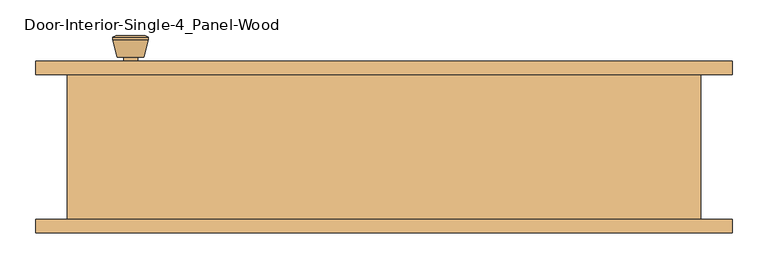
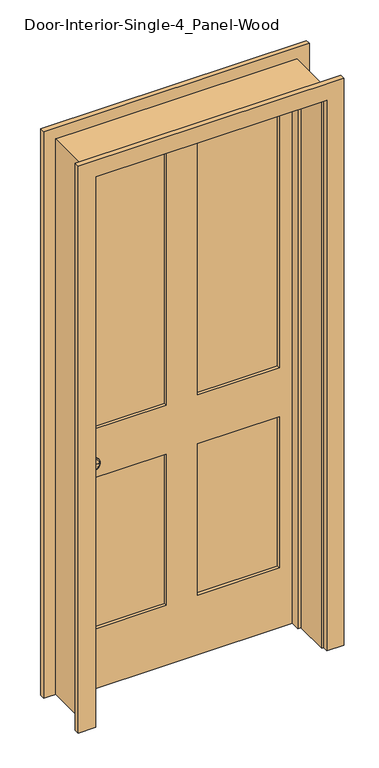
"""IFC4 building model written with IfcOpenShell, lengths in millimetres: door geometry, Door-Interior-Single-4_Panel-Wood."""

import ifcopenshell
import ifcopenshell.guid

model = None  # the IFC model being written
_history = None  # IfcOwnerHistory: only IFC2X3 demands one
_inside = {}  # id of a spatial element -> (the spatial element, [elements in it])
_under = {}  # id of a project, library or spatial element -> (it, [spatial elements below it])
_declared = {}  # id of a project -> (the project, [libraries it declares])
_typed = {}  # id of a type object -> (the type object, [elements of that type])
_made_of = {}  # id of a material, layer set ... -> (it, [elements and type objects made of it])


def new_model(schema):
    """Start an empty IFC model of exactly this schema.

    Asked for "IFC4X3", IfcOpenShell would pick the latest addendum, in which some entities
    have other attributes; the version numbers below select the first issue.
    IFC2X3 requires an IfcOwnerHistory on every rooted entity: one is made here for all.
    """
    global model, _history
    if schema == "IFC4X3":
        model = ifcopenshell.file(schema_version=(4, 3, 0, 0))
    else:
        model = ifcopenshell.file(schema=schema)
    _inside.clear()
    _under.clear()
    _declared.clear()
    _typed.clear()
    _made_of.clear()
    _history = None
    if model.schema == "IFC2X3":
        org = make("IfcOrganization", Name="unknown")
        user = make(
            "IfcPersonAndOrganization",
            ThePerson=make("IfcPerson", FamilyName="unknown"),
            TheOrganization=org,
        )
        app = make(
            "IfcApplication",
            ApplicationDeveloper=org,
            Version="unknown",
            ApplicationFullName="unknown",
            ApplicationIdentifier="unknown",
        )
        _history = make(
            "IfcOwnerHistory",
            OwningUser=user,
            OwningApplication=app,
            ChangeAction="ADDED",
            CreationDate=0,
        )
    return model


def make(cls, **values):
    """One entity of the class cls with the attributes given. An attribute that is None is left unset."""
    return model.create_entity(
        cls, **{name: value for name, value in values.items() if value is not None}
    )


def rooted(cls, **values):
    """An entity with a GlobalId (a new one), such as an element, a storey or a relation."""
    return make(cls, GlobalId=ifcopenshell.guid.new(), OwnerHistory=_history, **values)


def si_unit(unit_type, name, prefix=None):
    """IfcSIUnit, for example si_unit("LENGTHUNIT", "METRE", prefix="MILLI")."""
    return make("IfcSIUnit", UnitType=unit_type, Prefix=prefix, Name=name)


def assignment(units):
    """IfcUnitAssignment: the units of a project."""
    return None if units is None else make("IfcUnitAssignment", Units=units)


def point(xyz):
    """IfcCartesianPoint."""
    return None if xyz is None else make("IfcCartesianPoint", Coordinates=xyz)


def direction(xyz):
    """IfcDirection."""
    return None if xyz is None else make("IfcDirection", DirectionRatios=xyz)


def frame(location, z_axis=None, x_axis=None):
    """IfcAxis2Placement3D, a coordinate frame: its origin and axes. An axis left out is left unset."""
    return make(
        "IfcAxis2Placement3D",
        Location=point(location),
        Axis=direction(z_axis),
        RefDirection=direction(x_axis),
    )


def frame_2d(location, x_axis=None):
    """IfcAxis2Placement2D, a coordinate frame in the plane: its origin and x axis."""
    return make(
        "IfcAxis2Placement2D", Location=point(location), RefDirection=direction(x_axis)
    )


def origin():
    """The frame at (0, 0, 0) with its axes left unset."""
    return frame((0.0, 0.0, 0.0))


def place(relative_to, where):
    """IfcLocalPlacement: puts the frame where relative to a parent placement (None: the world)."""
    return make(
        "IfcLocalPlacement", PlacementRelTo=relative_to, RelativePlacement=where
    )


def context(
    kind, dimensions, precision=None, world=None, true_north=None, identifier=None
):
    """IfcGeometricRepresentationContext, for example the 3D "Model" context."""
    return make(
        "IfcGeometricRepresentationContext",
        ContextIdentifier=identifier,
        ContextType=kind,
        CoordinateSpaceDimension=dimensions,
        Precision=precision,
        WorldCoordinateSystem=world,
        TrueNorth=true_north,
    )


def project(units=None, contexts=None):
    """IfcProject with its units and contexts."""
    return rooted(
        "IfcProject",
        Name="project",
        RepresentationContexts=contexts,
        UnitsInContext=assignment(units),
    )


def spatial(cls, under=None, at=None, **own):
    """A site, building, storey or space (cls), placed at a placement, below another one or the project."""
    s = rooted(cls, ObjectPlacement=at, **own)
    if under is not None:
        _under.setdefault(under.id(), (under, []))[1].append(s)
    return s


def polyline(points):
    """IfcPolyline through the points."""
    return make("IfcPolyline", Points=[point(p) for p in points])


def circle_curve(where, radius):
    """IfcCircle in the frame where."""
    return make("IfcCircle", Position=where, Radius=radius)


def trimmed(basis, trim1, trim2, sense, master):
    """IfcTrimmedCurve: the piece of a basis curve between two trims."""
    return make(
        "IfcTrimmedCurve",
        BasisCurve=basis,
        Trim1=trim1,
        Trim2=trim2,
        SenseAgreement=sense,
        MasterRepresentation=master,
    )


def segment(curve, same_sense, transition):
    """IfcCompositeCurveSegment."""
    return make(
        "IfcCompositeCurveSegment",
        Transition=transition,
        SameSense=same_sense,
        ParentCurve=curve,
    )


def composite_curve(segments, self_intersect=None):
    """IfcCompositeCurve: segments joined end to end."""
    return make("IfcCompositeCurve", Segments=segments, SelfIntersect=self_intersect)


def outline(outer, holes=None, kind="AREA"):
    """IfcArbitraryClosedProfileDef: a profile drawn as a closed curve; with holes, ...WithVoids."""
    if holes is None:
        return make("IfcArbitraryClosedProfileDef", ProfileType=kind, OuterCurve=outer)
    return make(
        "IfcArbitraryProfileDefWithVoids",
        ProfileType=kind,
        OuterCurve=outer,
        InnerCurves=holes,
    )


def extrude(swept, where, along, depth):
    """IfcExtrudedAreaSolid: the profile swept, set in the frame where, extruded along a direction by depth."""
    return make(
        "IfcExtrudedAreaSolid",
        SweptArea=swept,
        Position=where,
        ExtrudedDirection=direction(along),
        Depth=depth,
    )


def faces_of(points, faces, orient=None, outer=None):
    """IfcFace entities. A face is a list of loops; a loop is a list of indices into points, from 0.

    orient and outer hold one flag for each loop. By default every Orientation is true, the
    first loop of a face is its IfcFaceOuterBound and the others are IfcFaceBound.
    """
    made = []
    for i, loops in enumerate(faces):
        bounds = []
        for j, loop in enumerate(loops):
            is_outer = j == 0 if outer is None else outer[i][j]
            bounds.append(
                make(
                    "IfcFaceOuterBound" if is_outer else "IfcFaceBound",
                    Bound=make("IfcPolyLoop", Polygon=[points[k] for k in loop]),
                    Orientation=True if orient is None else orient[i][j],
                )
            )
        made.append(make("IfcFace", Bounds=bounds))
    return made


def faceted_brep(points, faces, orient=None, outer=None, voids=None):
    """IfcFacetedBrep: a solid bounded by flat faces; with voids (closed shells), ...WithVoids."""
    shared = [point(p) for p in points]
    hull = make("IfcClosedShell", CfsFaces=faces_of(shared, faces, orient, outer))
    if voids is None:
        return make("IfcFacetedBrep", Outer=hull)
    return make(
        "IfcFacetedBrepWithVoids",
        Outer=hull,
        Voids=[
            make(cls, CfsFaces=faces_of(shared, fs, o, b)) for cls, fs, o, b in voids
        ],
    )


def shape(context_of_items, identifier, shape_type, items):
    """IfcShapeRepresentation: the items that make up one representation, for example the "Body"."""
    return make(
        "IfcShapeRepresentation",
        ContextOfItems=context_of_items,
        RepresentationIdentifier=identifier,
        RepresentationType=shape_type,
        Items=items,
    )


def source(mapping_origin, context_of_items, identifier, shape_type, items):
    """IfcRepresentationMap: a shape defined once, which mapped items show again and again."""
    return make(
        "IfcRepresentationMap",
        MappingOrigin=mapping_origin,
        MappedRepresentation=shape(context_of_items, identifier, shape_type, items),
    )


def transform(
    local_origin,
    x_axis=None,
    y_axis=None,
    z_axis=None,
    scale=None,
    scale2=None,
    scale3=None,
    uniform=True,
):
    """IfcCartesianTransformationOperator3D, or its non-uniform kind. x_axis, y_axis, z_axis: its Axis1, 2, 3."""
    if uniform:
        return make(
            "IfcCartesianTransformationOperator3D",
            Axis1=direction(x_axis),
            Axis2=direction(y_axis),
            LocalOrigin=point(local_origin),
            Scale=scale,
            Axis3=direction(z_axis),
        )
    return make(
        "IfcCartesianTransformationOperator3DnonUniform",
        Axis1=direction(x_axis),
        Axis2=direction(y_axis),
        LocalOrigin=point(local_origin),
        Scale=scale,
        Axis3=direction(z_axis),
        Scale2=scale2,
        Scale3=scale3,
    )


def mapped(mapping_source, mapping_target):
    """IfcMappedItem: shows the shape of a source again, moved by a transform."""
    return make(
        "IfcMappedItem", MappingSource=mapping_source, MappingTarget=mapping_target
    )


def made_of(thing, what):
    """Note that an element or type object is made of a material, layer set ...; save() writes the relation."""
    if what is not None:
        _made_of.setdefault(what.id(), (what, []))[1].append(thing)
    return thing


def element(
    cls,
    number,
    at=None,
    inside=None,
    cuts=None,
    type_object=None,
    material=None,
    context=None,
    identifier="Body",
    shape_type=None,
    held_by="IfcProductDefinitionShape",
    body=None,
    shapes=None,
    **own,
):
    """One element of the class cls, such as IfcWall. Its Tag is "e" and its number.

    at: its placement. inside: the storey or other place that contains it. cuts: it is an
    opening in that element (IfcRelVoidsElement). A single representation is given by context,
    identifier, shape_type and body (its items); several are given by shapes. held_by: the class
    of the entity that holds the representations. save() writes the other relations.
    """
    e = rooted(cls, Tag="e%d" % number, ObjectPlacement=at, **own)
    if body is not None:
        shapes = [shape(context, identifier, shape_type, body)]
    if shapes is not None:
        e.Representation = make(held_by, Representations=shapes)
    if inside is not None:
        _inside.setdefault(inside.id(), (inside, []))[1].append(e)
    if cuts is not None:
        rooted(
            "IfcRelVoidsElement", RelatingBuildingElement=cuts, RelatedOpeningElement=e
        )
    if type_object is not None:
        _typed.setdefault(type_object.id(), (type_object, []))[1].append(e)
    return made_of(e, material)


def aggregate(whole, parts):
    """IfcRelAggregates: a whole, such as a stair, and the parts it consists of."""
    return rooted("IfcRelAggregates", RelatingObject=whole, RelatedObjects=parts)


def save(model, path):
    """Write the relations noted so far, then the file.

    IfcRelAggregates (storeys below a building ...), IfcRelContainedInSpatialStructure (elements
    in a storey), IfcRelDefinesByType, IfcRelAssociatesMaterial and IfcRelDeclares: one each for
    every whole, place, type object, material and project.
    """
    for whole, parts in _under.values():
        aggregate(whole, parts)
    for where, things in _inside.values():
        rooted(
            "IfcRelContainedInSpatialStructure",
            RelatedElements=things,
            RelatingStructure=where,
        )
    for kind, things in _typed.values():
        rooted("IfcRelDefinesByType", RelatedObjects=things, RelatingType=kind)
    for what, things in _made_of.values():
        rooted("IfcRelAssociatesMaterial", RelatedObjects=things, RelatingMaterial=what)
    for by, libraries in _declared.values():
        rooted("IfcRelDeclares", RelatingContext=by, RelatedDefinitions=libraries)
    model.write(path)


def plane_surface(at):
    """IfcPlane: the flat surface through the origin of the frame at, square to its z axis."""
    return make("IfcPlane", Position=at)


def cylinder_surface(at, radius):
    """IfcCylindricalSurface: all points at the distance radius from the z axis of the frame at."""
    return make("IfcCylindricalSurface", Position=at, Radius=radius)


def revolved_surface(curve, axis_point, axis_direction):
    """IfcSurfaceOfRevolution: the curve turned about the line through axis_point along axis_direction."""
    return make(
        "IfcSurfaceOfRevolution",
        SweptCurve=make("IfcArbitraryOpenProfileDef", ProfileType="CURVE", Curve=curve),
        AxisPosition=make("IfcAxis1Placement", Location=point(axis_point), Axis=direction(axis_direction)),
    )


def advanced_brep(points, edges, surfaces, faces):
    """IfcAdvancedBrep: a solid bounded by faces that lie on surfaces and meet in shared edges.

    An edge is (start, end): straight between two places in points (the first is 0);
    or (start, end, curve); or (start, end, curve, False) where it runs against its curve.
    A face is (place in surfaces, loops), or (place, loops, False) where it looks against
    its surface's normal. A loop lists edges by number (the first is 1), with a minus sign
    where the edge is run from its end to its start. The first loop is the outer one.
    """
    corners = [point(p) for p in points]
    vertices = [make("IfcVertexPoint", VertexGeometry=c) for c in corners]
    made = []
    for start, end, *more in edges:
        made.append(
            make(
                "IfcEdgeCurve",
                EdgeStart=vertices[start],
                EdgeEnd=vertices[end],
                EdgeGeometry=more[0] if more else make("IfcPolyline", Points=[corners[start], corners[end]]),
                SameSense=more[1] if len(more) > 1 else True,
            )
        )
    hull = []
    for where, loops, *sense in faces:
        bounds = []
        for j, loop in enumerate(loops):
            ring = [make("IfcOrientedEdge", EdgeElement=made[abs(k) - 1], Orientation=k > 0) for k in loop]
            bounds.append(
                make(
                    "IfcFaceOuterBound" if j == 0 else "IfcFaceBound",
                    Bound=make("IfcEdgeLoop", EdgeList=ring),
                    Orientation=True,
                )
            )
        hull.append(make("IfcAdvancedFace", Bounds=bounds, FaceSurface=surfaces[where], SameSense=sense[0] if sense else True))
    return make("IfcAdvancedBrep", Outer=make("IfcClosedShell", CfsFaces=hull))


def door_interior_single_4_panel_wood_c5cf4f9c(model_context):
    return source(origin(), model_context, "Body", "SolidModel", [
        advanced_brep(
        [(-355.6, 57.5, 914.4), (-345.6, 57.5, 914.4), (-365.6, 57.5, 914.4), (-335.1241324, 8.5, 914.4), (-355.6, 8.5, 914.4), (-376.0758676, 8.5, 914.4), (-330.6, 10.3278681, 914.4), (-380.6, 10.3278681, 914.4), (-330.6, 13.7915463, 914.4), (-380.6, 13.7915463, 914.4), (-336.963764, 38.5, 914.4), (-374.236236, 38.5, 914.4), (-345.6, 38.5, 914.4), (-365.6, 38.5, 914.4)],
        [
            (0, 1),
            (1, 2, circle_curve(frame((-355.6, 57.5, 914.4), z_axis=(0.0, 1.0, 0.0), x_axis=(-1.0, 0.0, 0.0)), 10.0)),
            (2, 0),
            (2, 1, circle_curve(frame((-355.6, 57.5, 914.4), z_axis=(0.0, 1.0, 0.0), x_axis=(-1.0, 0.0, 0.0)), 10.0)),
            (3, 4),
            (4, 5),
            (5, 3, circle_curve(frame((-355.6, 8.5, 914.4), z_axis=(0.0, -1.0, 0.0), x_axis=(-1.0, 0.0, 0.0)), 20.4758676)),
            (3, 5, circle_curve(frame((-355.6, 8.5, 914.4), z_axis=(0.0, -1.0, 0.0), x_axis=(-1.0, 0.0, 0.0)), 20.4758676)),
            (6, 3),
            (5, 7),
            (7, 6, circle_curve(frame((-355.6, 10.3278681, 914.4), z_axis=(0.0, -1.0, 0.0), x_axis=(-1.0, 0.0, 0.0)), 25.0)),
            (6, 7, circle_curve(frame((-355.6, 10.3278681, 914.4), z_axis=(0.0, -1.0, 0.0), x_axis=(-1.0, 0.0, 0.0)), 25.0)),
            (8, 6),
            (7, 9),
            (9, 8, circle_curve(frame((-355.6, 13.7915463, 914.4), z_axis=(0.0, -1.0, 0.0), x_axis=(-1.0, 0.0, 0.0)), 25.0)),
            (8, 9, circle_curve(frame((-355.6, 13.7915463, 914.4), z_axis=(0.0, -1.0, 0.0), x_axis=(-1.0, 0.0, 0.0)), 25.0)),
            (10, 8),
            (9, 11),
            (11, 10, circle_curve(frame((-355.6, 38.5, 914.4), z_axis=(0.0, -1.0, 0.0), x_axis=(-1.0, 0.0, 0.0)), 18.636236)),
            (10, 11, circle_curve(frame((-355.6, 38.5, 914.4), z_axis=(0.0, -1.0, 0.0), x_axis=(-1.0, 0.0, 0.0)), 18.636236)),
            (12, 10),
            (11, 13),
            (13, 12, circle_curve(frame((-355.6, 38.5, 914.4), z_axis=(0.0, -1.0, 0.0), x_axis=(-1.0, 0.0, 0.0)), 10.0)),
            (12, 13, circle_curve(frame((-355.6, 38.5, 914.4), z_axis=(0.0, -1.0, 0.0), x_axis=(-1.0, 0.0, 0.0)), 10.0)),
            (1, 12),
            (13, 2),
        ],
        [
            plane_surface(frame((-355.6, 57.5, 914.4), z_axis=(0.0, 1.0, 0.0), x_axis=(-1.0, 0.0, 0.0))),
            plane_surface(frame((-355.6, 8.5, 914.4), z_axis=(0.0, -1.0, 0.0), x_axis=(-1.0, 0.0, 0.0))),
            revolved_surface(polyline([(-376.0758676, 8.5, 914.4), (-380.6, 10.3278681, 914.4)]), (-355.6, 57.5, 914.4), (0.0, 1.0, 0.0)),
            cylinder_surface(frame((-355.6, 57.5, 914.4), z_axis=(0.0, 1.0, 0.0), x_axis=(-1.0, 0.0, 0.0)), 25.0),
            revolved_surface(polyline([(-380.6, 13.7915463, 914.4), (-374.236236, 38.5, 914.4)]), (-355.6, 57.5, 914.4), (0.0, 1.0, 0.0)),
            plane_surface(frame((-355.6, 38.5, 914.4), z_axis=(0.0, 1.0, 0.0), x_axis=(-1.0, 0.0, 0.0))),
            cylinder_surface(frame((-355.6, 57.5, 914.4), z_axis=(0.0, 1.0, 0.0), x_axis=(-1.0, 0.0, 0.0)), 10.0),
        ],
        [
            (0, [[1, 2, 3]]),
            (0, [[-3, 4, -1]]),
            (1, [[5, 6, 7]]),
            (1, [[-6, -5, 8]]),
            (2, [[9, -7, 10, 11]]),
            (2, [[-10, -8, -9, 12]]),
            (3, [[13, -11, 14, 15]]),
            (3, [[-14, -12, -13, 16]]),
            (4, [[17, -15, 18, 19]]),
            (4, [[-18, -16, -17, 20]]),
            (5, [[21, -19, 22, 23]]),
            (5, [[-22, -20, -21, 24]]),
            (6, [[25, -23, 26, -2]]),
            (6, [[-26, -24, -25, -4]]),
        ],
    ),
        extrude(outline(composite_curve([segment(trimmed(circle_curve(frame_2d((914.4, -355.6)), 30.0), [point((914.4, -385.6))], [point((914.4, -325.6))], False, "CARTESIAN"), True, "CONTINUOUS"), segment(trimmed(circle_curve(frame_2d((914.4, -355.6)), 30.0), [point((914.4, -325.6))], [point((914.4, -385.6))], False, "CARTESIAN"), True, "CONTINUOUS")], self_intersect=False)), frame((0.0, 57.5, 0.0), z_axis=(0.0, 1.0, 0.0), x_axis=(0.0, 0.0, 1.0)), (0.0, 0.0, 1.0), 6.0),
        advanced_brep(
        [(-355.6, 104.425, 914.4), (-365.6, 104.425, 914.4), (-345.6, 104.425, 914.4), (-335.1241324, 153.425, 914.4), (-376.0758676, 153.425, 914.4), (-355.6, 153.425, 914.4), (-330.6, 151.5971319, 914.4), (-380.6, 151.5971319, 914.4), (-330.6, 148.1334537, 914.4), (-380.6, 148.1334537, 914.4), (-336.963764, 123.425, 914.4), (-374.236236, 123.425, 914.4), (-345.6, 123.425, 914.4), (-365.6, 123.425, 914.4)],
        [
            (0, 1),
            (1, 2, circle_curve(frame((-355.6, 104.425, 914.4), z_axis=(0.0, -1.0, 0.0), x_axis=(-1.0, 0.0, 0.0)), 10.0)),
            (2, 0),
            (2, 1, circle_curve(frame((-355.6, 104.425, 914.4), z_axis=(0.0, -1.0, 0.0), x_axis=(-1.0, 0.0, 0.0)), 10.0)),
            (3, 4, circle_curve(frame((-355.6, 153.425, 914.4), z_axis=(0.0, 1.0, 0.0), x_axis=(-1.0, 0.0, 0.0)), 20.4758676)),
            (4, 5),
            (5, 3),
            (4, 3, circle_curve(frame((-355.6, 153.425, 914.4), z_axis=(0.0, 1.0, 0.0), x_axis=(-1.0, 0.0, 0.0)), 20.4758676)),
            (6, 7, circle_curve(frame((-355.6, 151.5971319, 914.4), z_axis=(0.0, 1.0, 0.0), x_axis=(-1.0, 0.0, 0.0)), 25.0)),
            (7, 4),
            (3, 6),
            (7, 6, circle_curve(frame((-355.6, 151.5971319, 914.4), z_axis=(0.0, 1.0, 0.0), x_axis=(-1.0, 0.0, 0.0)), 25.0)),
            (8, 9, circle_curve(frame((-355.6, 148.1334537, 914.4), z_axis=(0.0, 1.0, 0.0), x_axis=(-1.0, 0.0, 0.0)), 25.0)),
            (9, 7),
            (6, 8),
            (9, 8, circle_curve(frame((-355.6, 148.1334537, 914.4), z_axis=(0.0, 1.0, 0.0), x_axis=(-1.0, 0.0, 0.0)), 25.0)),
            (10, 11, circle_curve(frame((-355.6, 123.425, 914.4), z_axis=(0.0, 1.0, 0.0), x_axis=(-1.0, 0.0, 0.0)), 18.636236)),
            (11, 9),
            (8, 10),
            (11, 10, circle_curve(frame((-355.6, 123.425, 914.4), z_axis=(0.0, 1.0, 0.0), x_axis=(-1.0, 0.0, 0.0)), 18.636236)),
            (12, 13, circle_curve(frame((-355.6, 123.425, 914.4), z_axis=(0.0, 1.0, 0.0), x_axis=(-1.0, 0.0, 0.0)), 10.0)),
            (13, 11),
            (10, 12),
            (13, 12, circle_curve(frame((-355.6, 123.425, 914.4), z_axis=(0.0, 1.0, 0.0), x_axis=(-1.0, 0.0, 0.0)), 10.0)),
            (1, 13),
            (12, 2),
        ],
        [
            plane_surface(frame((-355.6, 104.425, 914.4), z_axis=(0.0, -1.0, 0.0), x_axis=(-1.0, 0.0, 0.0))),
            plane_surface(frame((-355.6, 153.425, 914.4), z_axis=(0.0, 1.0, 0.0), x_axis=(-1.0, 0.0, 0.0))),
            revolved_surface(polyline([(-376.0758676, 153.425, 914.4), (-380.6, 151.5971319, 914.4)]), (-355.6, 104.425, 914.4), (0.0, -1.0, 0.0)),
            cylinder_surface(frame((-355.6, 104.425, 914.4), z_axis=(0.0, -1.0, 0.0), x_axis=(-1.0, 0.0, 0.0)), 25.0),
            revolved_surface(polyline([(-380.6, 148.1334537, 914.4), (-374.236236, 123.425, 914.4)]), (-355.6, 104.425, 914.4), (0.0, -1.0, 0.0)),
            plane_surface(frame((-355.6, 123.425, 914.4), z_axis=(0.0, -1.0, 0.0), x_axis=(-1.0, 0.0, 0.0))),
            cylinder_surface(frame((-355.6, 104.425, 914.4), z_axis=(0.0, -1.0, 0.0), x_axis=(-1.0, 0.0, 0.0)), 10.0),
        ],
        [
            (0, [[1, 2, 3]]),
            (0, [[-3, 4, -1]]),
            (1, [[5, 6, 7]]),
            (1, [[8, -7, -6]]),
            (2, [[9, 10, -5, 11]]),
            (2, [[12, -11, -8, -10]]),
            (3, [[13, 14, -9, 15]]),
            (3, [[16, -15, -12, -14]]),
            (4, [[17, 18, -13, 19]]),
            (4, [[20, -19, -16, -18]]),
            (5, [[21, 22, -17, 23]]),
            (5, [[24, -23, -20, -22]]),
            (6, [[-2, 25, -21, 26]]),
            (6, [[-4, -26, -24, -25]]),
        ],
    ),
        extrude(outline(composite_curve([segment(trimmed(circle_curve(frame_2d((914.4, -355.6)), 30.0), [point((914.4, -385.6))], [point((914.4, -325.6))], False, "CARTESIAN"), True, "CONTINUOUS"), segment(trimmed(circle_curve(frame_2d((914.4, -355.6)), 30.0), [point((914.4, -325.6))], [point((914.4, -385.6))], False, "CARTESIAN"), True, "CONTINUOUS")], self_intersect=False)), frame((0.0, 98.425, 0.0), z_axis=(0.0, 1.0, 0.0), x_axis=(0.0, 0.0, 1.0)), (0.0, 0.0, 1.0), 6.0),
        faceted_brep([(444.5, 98.425, 0.0), (444.5, -104.775, 0.0), (419.1, -104.775, 0.0), (419.1, 28.575, 0.0), (406.4, 28.575, 0.0), (406.4, 63.5, 0.0), (419.1, 63.5, 0.0), (419.1, 98.425, 0.0), (444.5, 98.425, 2159.0), (444.5, -104.775, 2159.0), (-444.5, -104.775, 2159.0), (-444.5, -104.775, 0.0), (-419.1, -104.775, 0.0), (-419.1, -104.775, 2133.6), (419.1, -104.775, 2133.6), (419.1, 28.575, 2133.6), (-419.1, 28.575, 2133.6), (-419.1, 28.575, 0.0), (-406.4, 28.575, 0.0), (-406.4, 28.575, 2120.9), (406.4, 28.575, 2120.9), (406.4, 63.5, 2120.9), (-406.4, 63.5, 2120.9), (-406.4, 63.5, 0.0), (-419.1, 63.5, 0.0), (-419.1, 63.5, 2133.6), (419.1, 63.5, 2133.6), (419.1, 98.425, 2133.6), (-419.1, 98.425, 2133.6), (-419.1, 98.425, 0.0), (-444.5, 98.425, 0.0), (-444.5, 98.425, 2159.0)], [[[0, 1, 2, 3, 4, 5, 6, 7]], [[1, 0, 8, 9]], [[2, 1, 9, 10, 11, 12, 13, 14]], [[3, 2, 14, 15]], [[4, 3, 15, 16, 17, 18, 19, 20]], [[5, 4, 20, 21]], [[6, 5, 21, 22, 23, 24, 25, 26]], [[7, 6, 26, 27]], [[0, 7, 27, 28, 29, 30, 31, 8]], [[9, 8, 31, 10]], [[15, 14, 13, 16]], [[21, 20, 19, 22]], [[27, 26, 25, 28]], [[30, 29, 24, 23, 18, 17, 12, 11]], [[10, 31, 30, 11]], [[16, 13, 12, 17]], [[22, 19, 18, 23]], [[28, 25, 24, 29]]]),
        extrude(outline(polyline([(2133.6, -419.1), (0.0, -419.1), (0.0, 419.1), (2133.6, 419.1), (2133.6, -419.1)]), holes=[polyline([(2014.5375, 57.15), (2014.5375, 358.775), (1009.65, 358.775), (1009.65, 57.15), (2014.5375, 57.15)]), polyline([(1009.65, -57.15), (1009.65, -358.775), (2014.5375, -358.775), (2014.5375, -57.15), (1009.65, -57.15)]), polyline([(819.15, 57.15), (819.15, 358.775), (231.775, 358.775), (231.775, 57.15), (819.15, 57.15)]), polyline([(231.775, -57.15), (231.775, -358.775), (819.15, -358.775), (819.15, -57.15), (231.775, -57.15)])]), frame((0.0, 63.5, 0.0), z_axis=(0.0, 1.0, 0.0), x_axis=(0.0, 0.0, 1.0)), (0.0, 0.0, 1.0), 34.925),
        extrude(outline(polyline([(358.775, 75.1416667), (57.15, 75.1416667), (57.15, 86.7833333), (358.775, 86.7833333), (358.775, 75.1416667)])), frame((0.0, 0.0, 1009.65), z_axis=(0.0, 0.0, 1.0), x_axis=(1.0, 0.0, 0.0)), (0.0, 0.0, 1.0), 1004.8875),
        extrude(outline(polyline([(-57.15, 75.1416667), (-358.775, 75.1416667), (-358.775, 86.7833333), (-57.15, 86.7833333), (-57.15, 75.1416667)])), frame((0.0, 0.0, 1009.65), z_axis=(0.0, 0.0, 1.0), x_axis=(1.0, 0.0, 0.0)), (0.0, 0.0, 1.0), 1004.8875),
        extrude(outline(polyline([(358.775, 75.1416667), (57.15, 75.1416667), (57.15, 86.7833333), (358.775, 86.7833333), (358.775, 75.1416667)])), frame((0.0, 0.0, 231.775), z_axis=(0.0, 0.0, 1.0), x_axis=(1.0, 0.0, 0.0)), (0.0, 0.0, 1.0), 587.375),
        extrude(outline(polyline([(-57.15, 75.1416667), (-358.775, 75.1416667), (-358.775, 86.7833333), (-57.15, 86.7833333), (-57.15, 75.1416667)])), frame((0.0, 0.0, 231.775), z_axis=(0.0, 0.0, 1.0), x_axis=(1.0, 0.0, 0.0)), (0.0, 0.0, 1.0), 587.375),
        extrude(outline(polyline([(0.0, 425.45), (0.0, 488.95), (2203.45, 488.95), (2203.45, -488.95), (0.0, -488.95), (0.0, -425.45), (2139.95, -425.45), (2139.95, 425.45), (0.0, 425.45)])), frame((0.0, 98.425, 0.0), z_axis=(0.0, 1.0, 0.0), x_axis=(0.0, 0.0, 1.0)), (0.0, 0.0, 1.0), 19.05),
        extrude(outline(polyline([(0.0, 425.45), (0.0, 488.95), (2203.45, 488.95), (2203.45, -488.95), (0.0, -488.95), (0.0, -425.45), (2139.95, -425.45), (2139.95, 425.45), (0.0, 425.45)])), frame((0.0, -123.825, 0.0), z_axis=(0.0, 1.0, 0.0), x_axis=(0.0, 0.0, 1.0)), (0.0, 0.0, 1.0), 19.05),
    ])


if __name__ == "__main__":
    model = new_model("IFC4")
    model_context = context("Model", 3, world=origin())
    ifc_project = project(units=[si_unit("LENGTHUNIT", "METRE", prefix="MILLI")], contexts=[model_context])
    site = spatial("IfcSite", under=ifc_project)
    building = spatial("IfcBuilding", under=site)
    placement = place(None, origin())
    door_interior_single_4_panel_wood_shape = door_interior_single_4_panel_wood_c5cf4f9c(model_context)
    element("IfcDoor", 1, ObjectType="Door-Interior-Single-4_Panel-Wood", at=placement, inside=building, context=model_context, shape_type="MappedRepresentation", body=[
        mapped(door_interior_single_4_panel_wood_shape, transform((0.0, 0.0, 0.0), x_axis=(1.0, 0.0, 0.0), y_axis=(0.0, 1.0, 0.0), z_axis=(0.0, 0.0, 1.0))),
    ])
    save(model, "model.ifc")
